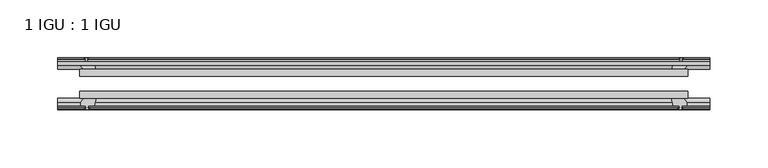
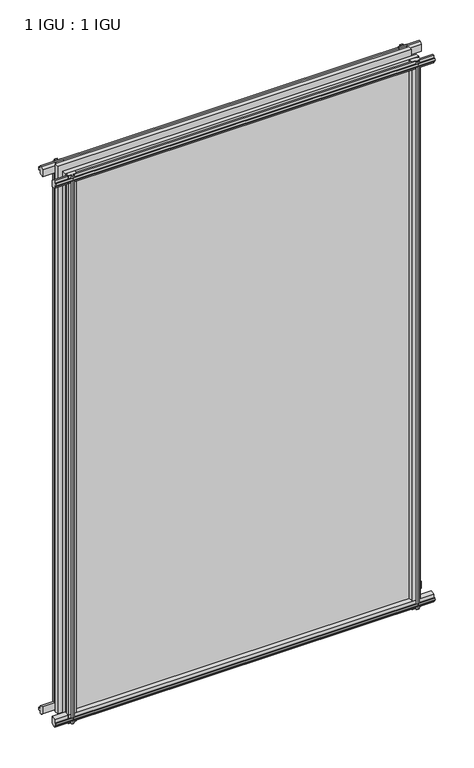
"""IFC4 building model written with IfcOpenShell, lengths in millimetres: plate geometry, 1 IGU : 1 IGU."""

from ifc_helpers import new_model, si_unit, frame, origin, place, context, project, spatial, polyline, outline, extrude, source, transform, mapped, element, save


def plate_1_igu_1_igu_ab1e022d(model_context):
    return source(origin(), model_context, "Body", "SweptSolid", [
        extrude(outline(polyline([(-263.5250001, -38.6468937), (263.5250001, -38.6468937), (263.5250001, -44.9460938), (-263.5250001, -44.9460938), (-263.5250001, -38.6468937)])), frame((0.0, 0.0, -12.7), z_axis=(0.0, 0.0, 1.0), x_axis=(1.0, 0.0, 0.0)), (0.0, 0.0, 1.0), 863.5872928),
        extrude(outline(polyline([(-263.5250001, -19.5460937), (263.5250001, -19.5460937), (263.5250001, -25.8960938), (-263.5250001, -25.8960938), (-263.5250001, -19.5460937)])), frame((0.0, 0.0, -12.7), z_axis=(0.0, 0.0, 1.0), x_axis=(1.0, 0.0, 0.0)), (0.0, 0.0, 1.0), 863.5872928),
        extrude(outline(polyline([(-44.9460937, 1.7177181), (-44.9460937, -9.1036578), (-48.3496937, -11.938), (-51.2960937, -11.938), (-51.2960937, -7.493), (-53.6762907, -7.112), (-53.2163575, -8.5275291), (-54.0175717, -8.5275291), (-54.7250937, -6.35), (-54.0175717, -4.1724709), (-53.2163575, -4.1724709), (-53.6762907, -5.588), (-51.2960937, -5.207), (-51.2960937, 0.0), (-44.9460937, 1.7177181)])), frame((-282.5750001, 0.0, 0.0), z_axis=(1.0, 0.0, 0.0), x_axis=(0.0, 1.0, 0.0)), (0.0, 0.0, 1.0), 565.1500002),
        extrude(outline(polyline([(-13.1960937, -12.4587), (-16.1424937, -12.4587), (-19.5460937, -9.6243578), (-19.5460937, 1.1970181), (-13.1960937, -0.5207), (-13.1960937, -5.7277), (-10.8158968, -6.1087), (-11.27583, -4.6931709), (-10.4746158, -4.6931709), (-9.7670937, -6.8707), (-10.4746158, -9.0482291), (-11.27583, -9.0482291), (-10.8158968, -7.6327), (-13.1960937, -8.0137), (-13.1960937, -12.4587)])), frame((-282.5750001, 0.0, 0.0), z_axis=(1.0, 0.0, 0.0), x_axis=(0.0, 1.0, 0.0)), (0.0, 0.0, 1.0), 565.1500002),
        extrude(outline(polyline([(-51.2960937, 850.1252928), (-48.3496937, 850.1252928), (-44.9460937, 847.2909506), (-44.9460937, 836.4695747), (-51.2960937, 838.1872928), (-51.2960937, 843.3942928), (-53.6762907, 843.7752928), (-53.2163575, 842.3597637), (-54.0175717, 842.3597637), (-54.7250937, 844.5372928), (-54.0175717, 846.7148218), (-53.2163575, 846.7148218), (-53.6762907, 845.2992928), (-51.2960937, 845.6802928), (-51.2960937, 850.1252928)])), frame((-282.5750001, 0.0, 0.0), z_axis=(1.0, 0.0, 0.0), x_axis=(0.0, 1.0, 0.0)), (0.0, 0.0, 1.0), 565.1500002),
        extrude(outline(polyline([(-19.5460937, 836.9902747), (-19.5460937, 847.8116506), (-16.1424937, 850.6459928), (-13.1960937, 850.6459928), (-13.1960937, 846.2009928), (-10.8158968, 845.8199928), (-11.27583, 847.2355218), (-10.4746158, 847.2355218), (-9.7670937, 845.0579928), (-10.4746158, 842.8804637), (-11.27583, 842.8804637), (-10.8158968, 844.2959928), (-13.1960937, 843.9149928), (-13.1960937, 838.7079928), (-19.5460937, 836.9902747)])), frame((-282.5750001, 0.0, 0.0), z_axis=(1.0, 0.0, 0.0), x_axis=(0.0, 1.0, 0.0)), (0.0, 0.0, 1.0), 565.1500002),
        extrude(outline(polyline([(249.627982, -19.5460938), (251.3457001, -13.1960938), (256.5527001, -13.1960938), (256.9337001, -10.8158968), (255.518171, -11.27583), (255.518171, -10.4746158), (257.6957001, -9.7670938), (259.8732291, -10.4746158), (259.8732291, -11.27583), (258.4577001, -10.8158968), (258.8387001, -13.1960938), (263.2837001, -13.1960938), (263.2837001, -16.1424938), (260.4493579, -19.5460938), (249.627982, -19.5460938)])), frame((0.0, 0.0, -12.7), z_axis=(0.0, 0.0, 1.0), x_axis=(1.0, 0.0, 0.0)), (0.0, 0.0, 1.0), 863.587293),
        extrude(outline(polyline([(249.107282, -44.9460938), (259.9286579, -44.9460938), (262.7630001, -48.3496938), (262.7630001, -51.2960938), (258.3180001, -51.2960938), (257.9370001, -53.6762907), (259.3525291, -53.2163575), (259.3525291, -54.0175717), (257.1750001, -54.7250938), (254.997471, -54.0175717), (254.997471, -53.2163575), (256.4130001, -53.6762907), (256.0320001, -51.2960938), (250.8250001, -51.2960938), (249.107282, -44.9460938)])), frame((0.0, 0.0, -12.7), z_axis=(0.0, 0.0, 1.0), x_axis=(1.0, 0.0, 0.0)), (0.0, 0.0, 1.0), 863.587293),
        extrude(outline(polyline([(-257.6957001, -9.7670937), (-255.518171, -10.4746158), (-255.518171, -11.27583), (-256.9337001, -10.8158968), (-256.5527001, -13.1960937), (-251.3457001, -13.1960937), (-249.627982, -19.5460937), (-260.4493579, -19.5460937), (-263.2837001, -16.1424937), (-263.2837001, -13.1960937), (-258.8387001, -13.1960937), (-258.4577001, -10.8158968), (-259.8732291, -11.27583), (-259.8732291, -10.4746158), (-257.6957001, -9.7670937)])), frame((0.0, 0.0, -12.7), z_axis=(0.0, 0.0, 1.0), x_axis=(1.0, 0.0, 0.0)), (0.0, 0.0, 1.0), 863.587293),
        extrude(outline(polyline([(-262.7630001, -48.3496937), (-259.9286579, -44.9460937), (-249.107282, -44.9460937), (-250.8250001, -51.2960937), (-256.0320001, -51.2960937), (-256.4130001, -53.6762907), (-254.997471, -53.2163575), (-254.997471, -54.0175717), (-257.1750001, -54.7250937), (-259.3525291, -54.0175717), (-259.3525291, -53.2163575), (-257.9370001, -53.6762907), (-258.3180001, -51.2960937), (-262.7630001, -51.2960937), (-262.7630001, -48.3496937)])), frame((0.0, 0.0, -12.7), z_axis=(0.0, 0.0, 1.0), x_axis=(1.0, 0.0, 0.0)), (0.0, 0.0, 1.0), 863.587293),
    ])


if __name__ == "__main__":
    model = new_model("IFC4")
    model_context = context("Model", 3, world=origin())
    ifc_project = project(units=[si_unit("LENGTHUNIT", "METRE", prefix="MILLI")], contexts=[model_context])
    site = spatial("IfcSite", under=ifc_project)
    building = spatial("IfcBuilding", under=site)
    placement = place(None, origin())
    plate_1_igu_1_igu_shape = plate_1_igu_1_igu_ab1e022d(model_context)
    element("IfcPlate", 1, ObjectType="1 IGU : 1 IGU", at=placement, inside=building, context=model_context, shape_type="MappedRepresentation", body=[
        mapped(plate_1_igu_1_igu_shape, transform((0.0, 0.0, 0.0), x_axis=(1.0, 0.0, 0.0), y_axis=(0.0, 1.0, 0.0), z_axis=(0.0, 0.0, 1.0))),
    ])
    save(model, "model.ifc")
